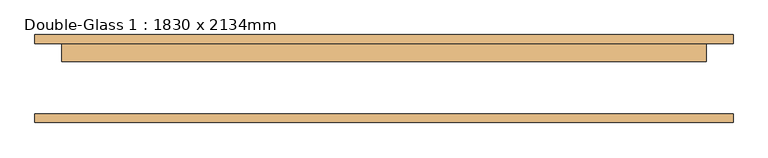
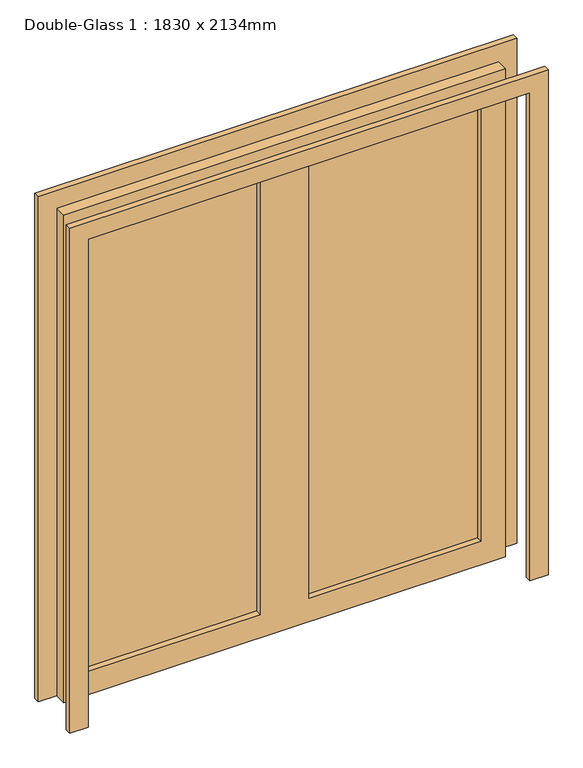
"""IFC4 building model written with IfcOpenShell, lengths in millimetres: door geometry, Double-Glass 1 : 1830 x 2134mm."""

from ifc_helpers import new_model, si_unit, frame, origin, place, context, project, spatial, polyline, outline, extrude, source, transform, mapped, element, save


def double_glass_1_1830_x_2134mm_b7da9561(model_context):
    return source(origin(), model_context, "Body", "SweptSolid", [
        extrude(outline(polyline([(0.0, 991.0), (2210.0, 991.0), (2210.0, -991.0), (0.0, -991.0), (0.0, -915.0), (2134.0, -915.0), (2134.0, 915.0), (0.0, 915.0), (0.0, 991.0)])), frame((0.0, -122.61875, 0.0), z_axis=(0.0, 1.0, 0.0), x_axis=(0.0, 0.0, 1.0)), (0.0, 0.0, 1.0), 25.0),
        extrude(outline(polyline([(2134.0, 915.0), (0.0, 915.0), (0.0, 991.0), (2210.0, 991.0), (2210.0, -991.0), (0.0, -991.0), (0.0, -915.0), (2134.0, -915.0), (2134.0, 915.0)])), frame((0.0, 102.38125, 0.0), z_axis=(0.0, 1.0, 0.0), x_axis=(0.0, 0.0, 1.0)), (0.0, 0.0, 1.0), 25.0),
        extrude(outline(polyline([(813.4, 76.98125), (101.6, 76.98125), (101.6, 84.125), (813.4, 84.125), (813.4, 76.98125)])), frame((0.0, 0.0, 102.0), z_axis=(0.0, 0.0, 1.0), x_axis=(1.0, 0.0, 0.0)), (0.0, 0.0, 1.0), 1930.0),
        extrude(outline(polyline([(-101.6, 76.98125), (-813.4, 76.98125), (-813.4, 84.125), (-101.6, 84.125), (-101.6, 76.98125)])), frame((0.0, 0.0, 102.0), z_axis=(0.0, 0.0, 1.0), x_axis=(1.0, 0.0, 0.0)), (0.0, 0.0, 1.0), 1930.0),
        extrude(outline(polyline([(2134.0, 915.0), (2134.0, -915.0), (0.0, -915.0), (0.0, 915.0), (2134.0, 915.0)]), holes=[polyline([(2032.0, -101.6), (102.0, -101.6), (102.0, -813.4), (2032.0, -813.4), (2032.0, -101.6)]), polyline([(2032.0, 813.4), (102.0, 813.4), (102.0, 101.6), (2032.0, 101.6), (2032.0, 813.4)])]), frame((0.0, 51.38125, 0.0), z_axis=(0.0, 1.0, 0.0), x_axis=(0.0, 0.0, 1.0)), (0.0, 0.0, 1.0), 51.0),
    ])


if __name__ == "__main__":
    model = new_model("IFC4")
    model_context = context("Model", 3, world=origin())
    ifc_project = project(units=[si_unit("LENGTHUNIT", "METRE", prefix="MILLI")], contexts=[model_context])
    site = spatial("IfcSite", under=ifc_project)
    building = spatial("IfcBuilding", under=site)
    placement = place(None, origin())
    double_glass_1_1830_x_2134mm_shape = double_glass_1_1830_x_2134mm_b7da9561(model_context)
    element("IfcDoor", 1, ObjectType="Double-Glass 1 : 1830 x 2134mm", at=placement, inside=building, context=model_context, shape_type="MappedRepresentation", body=[
        mapped(double_glass_1_1830_x_2134mm_shape, transform((0.0, 0.0, 0.0), x_axis=(1.0, 0.0, 0.0), y_axis=(0.0, 1.0, 0.0), z_axis=(0.0, 0.0, 1.0))),
    ])
    save(model, "model.ifc")
